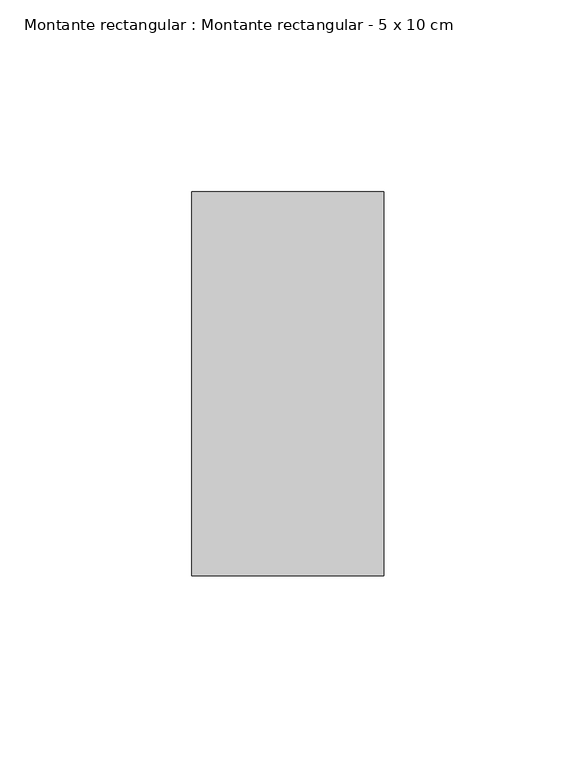
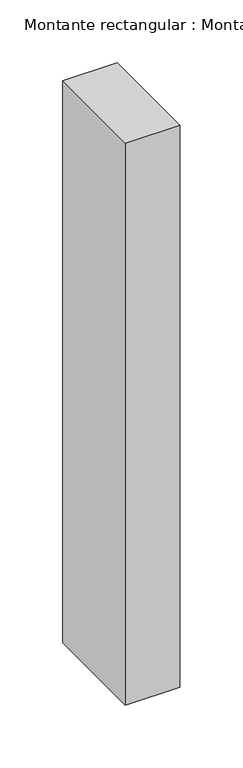
"""IFC4 building model written with IfcOpenShell, lengths in millimetres: member geometry, Montante rectangular : Montante rectangular - 5 x 10 cm."""

from ifc_helpers import new_model, si_unit, frame, origin, place, context, project, spatial, polyline, outline, extrude, source, transform, mapped, element, save


def montante_rectangular_montante_rectangular_5_x_10_cm_91baa3fc(model_context):
    return source(origin(), model_context, "Body", "SweptSolid", [
        extrude(outline(polyline([(-50.0, 50.0), (0.0, 50.0), (0.0, -50.0), (-50.0, -50.0), (-50.0, 50.0)])), frame((0.0, 0.0, -547.0), z_axis=(0.0, 0.0, 1.0), x_axis=(1.0, 0.0, 0.0)), (0.0, 0.0, 1.0), 547.0),
    ])


if __name__ == "__main__":
    model = new_model("IFC4")
    model_context = context("Model", 3, world=origin())
    ifc_project = project(units=[si_unit("LENGTHUNIT", "METRE", prefix="MILLI")], contexts=[model_context])
    site = spatial("IfcSite", under=ifc_project)
    building = spatial("IfcBuilding", under=site)
    placement = place(None, origin())
    montante_rectangular_montante_rectangular_5_x_10_cm_shape = montante_rectangular_montante_rectangular_5_x_10_cm_91baa3fc(model_context)
    element("IfcMember", 1, ObjectType="Montante rectangular : Montante rectangular - 5 x 10 cm", at=placement, inside=building, context=model_context, shape_type="MappedRepresentation", body=[
        mapped(montante_rectangular_montante_rectangular_5_x_10_cm_shape, transform((0.0, 0.0, 0.0), x_axis=(1.0, 0.0, 0.0), y_axis=(0.0, 1.0, 0.0), z_axis=(0.0, 0.0, 1.0))),
    ])
    save(model, "model.ifc")
